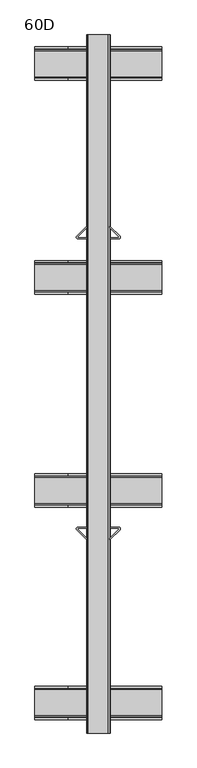
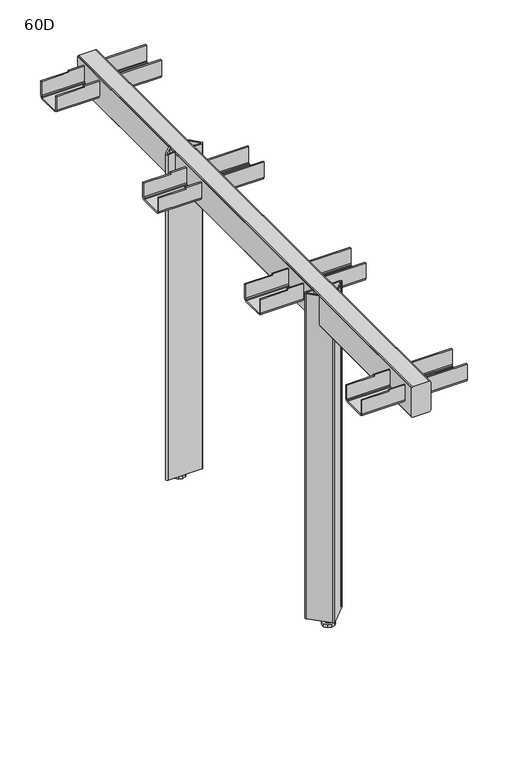
"""IFC4 building model written with IfcOpenShell, lengths in millimetres: furniture geometry, 60D."""

from ifc_helpers import new_model, si_unit, frame, origin, origin_with_axes, place, context, project, spatial, polyline, circle_curve, outline, extrude, faceted_brep, source, transform, mapped, element, save
from ifc_brep_helpers import plane_surface, cylinder_surface, revolved_surface, advanced_brep


def furniture_60d_e062f69c(model_context):
    return source(origin(), model_context, "Body", "SolidModel", [
        advanced_brep(
        [(68.9281289, -934.7763274, 696.230904), (85.4456, -951.2937985, 696.230904), (85.4456, -948.4653713, 696.230904), (70.8473677, -933.8671391, 696.230904), (71.5544745, -932.1600323, 696.230904), (85.2456009, -932.1600323, 696.230904), (85.2456009, -930.1671391, 696.230904), (70.8373172, -930.1671391, 696.230904), (138.1538828, -930.1671391, 696.230904), (123.7455991, -930.1671391, 696.230904), (123.7455991, -932.1600323, 696.230904), (137.4367255, -932.1600323, 696.230904), (138.1438323, -933.8671391, 696.230904), (123.5456, -948.4653713, 696.230904), (123.5456, -951.2937985, 696.230904), (140.0630711, -934.7763274, 696.230904), (68.9281289, -934.7763274, 13.2308796), (70.8373172, -930.1671391, 13.2308796), (138.1538828, -930.1671391, 13.2308796), (140.0630711, -934.7763274, 13.2308796), (106.4047883, -968.4346101, 13.2308796), (102.5864117, -968.4346101, 13.2308796), (70.8473677, -933.8671391, 13.2308796), (103.7884932, -966.8082645, 13.2308796), (105.2027068, -966.8082645, 13.2308796), (138.1438323, -933.8671391, 13.2308796), (137.4367255, -932.1600323, 13.2308796), (71.5544745, -932.1600323, 13.2308796), (85.2456009, -930.1671391, 632.7308556), (123.7455991, -930.1671391, 632.7308556), (123.5456, -951.2937985, 632.7308556), (106.4047883, -968.4346101, 632.7308556), (102.5864117, -968.4346101, 632.7308556), (85.4456, -951.2937985, 632.7308556), (85.4456, -948.4653713, 632.7308556), (103.7884932, -966.8082645, 632.7308556), (105.2027068, -966.8082645, 632.7308556), (123.5456, -948.4653713, 632.7308556), (123.7455991, -932.1600323, 632.7308556), (85.2456009, -932.1600323, 632.7308556)],
        [
            (0, 1),
            (1, 2),
            (2, 3),
            (3, 4, circle_curve(frame((71.5544745, -933.1600323, 696.230904), z_axis=(0.0, 0.0, -1.0), x_axis=(1.0, 0.0, 0.0)), 1.0)),
            (4, 5),
            (5, 6),
            (6, 7),
            (7, 0, circle_curve(frame((70.8373172, -932.8671391, 696.230904), z_axis=(0.0, 0.0, 1.0), x_axis=(1.0, 0.0, 0.0)), 2.7)),
            (8, 9),
            (9, 10),
            (10, 11),
            (11, 12, circle_curve(frame((137.4367255, -933.1600323, 696.230904), z_axis=(0.0, 0.0, -1.0), x_axis=(1.0, 0.0, 0.0)), 1.0)),
            (12, 13),
            (13, 14),
            (14, 15),
            (15, 8, circle_curve(frame((138.1538828, -932.8671391, 696.230904), z_axis=(0.0, 0.0, 1.0), x_axis=(1.0, 0.0, 0.0)), 2.7)),
            (16, 17, circle_curve(frame((70.8373172, -932.8671391, 13.2308796), z_axis=(0.0, 0.0, -1.0), x_axis=(1.0, 0.0, 0.0)), 2.7)),
            (17, 18),
            (18, 19, circle_curve(frame((138.1538828, -932.8671391, 13.2308796), z_axis=(0.0, 0.0, -1.0), x_axis=(1.0, 0.0, 0.0)), 2.7)),
            (19, 20),
            (20, 21, circle_curve(frame((104.4956, -966.5254218, 13.2308796), z_axis=(0.0, 0.0, -1.0), x_axis=(1.0, 0.0, 0.0)), 2.7)),
            (21, 16),
            (22, 23),
            (23, 24, circle_curve(frame((104.4956, -966.1011578, 13.2308796), z_axis=(0.0, 0.0, 1.0), x_axis=(1.0, 0.0, 0.0)), 1.0)),
            (24, 25),
            (25, 26, circle_curve(frame((137.4367255, -933.1600323, 13.2308796), z_axis=(0.0, 0.0, 1.0), x_axis=(1.0, 0.0, 0.0)), 1.0)),
            (26, 27),
            (27, 22, circle_curve(frame((71.5544745, -933.1600323, 13.2308796), z_axis=(0.0, 0.0, 1.0), x_axis=(1.0, 0.0, 0.0)), 1.0)),
            (7, 17),
            (16, 0),
            (6, 28),
            (28, 29),
            (29, 9),
            (8, 18),
            (15, 19),
            (14, 30),
            (30, 31),
            (31, 20),
            (31, 32, circle_curve(frame((104.4956, -966.5254218, 632.7308556), z_axis=(0.0, 0.0, -1.0), x_axis=(1.0, 0.0, 0.0)), 2.7)),
            (32, 21),
            (32, 33),
            (33, 1),
            (22, 3),
            (2, 34),
            (34, 35),
            (35, 23),
            (35, 36, circle_curve(frame((104.4956, -966.1011578, 632.7308556), z_axis=(0.0, 0.0, 1.0), x_axis=(1.0, 0.0, 0.0)), 1.0)),
            (36, 24),
            (36, 37),
            (37, 13),
            (12, 25),
            (11, 26),
            (10, 38),
            (38, 39),
            (39, 5),
            (4, 27),
            (38, 29),
            (28, 39),
            (30, 37),
            (34, 33),
        ],
        [
            plane_surface(frame((73.5373172, -932.8671391, 696.230904), z_axis=(0.0, 0.0, 1.0), x_axis=(0.0, -1.0, 0.0))),
            plane_surface(frame((73.5373172, -932.8671391, 13.2308796), z_axis=(0.0, 0.0, -1.0), x_axis=(0.0, 1.0, 0.0))),
            cylinder_surface(frame((70.8373172, -932.8671391, 13.2308796), z_axis=(0.0, 0.0, 1.0), x_axis=(1.0, 0.0, 0.0)), 2.7),
            plane_surface(frame((70.8373172, -930.1671391, 696.230904), z_axis=(0.0, 1.0, 0.0), x_axis=(0.0, 0.0, -1.0))),
            cylinder_surface(frame((138.1538828, -932.8671391, 13.2308796), z_axis=(0.0, 0.0, 1.0), x_axis=(1.0, 0.0, 0.0)), 2.7),
            plane_surface(frame((140.0630711, -934.7763274, 696.230904), z_axis=(0.7071067811865573, -0.7071067811865377, 0.0), x_axis=(0.0, 0.0, -1.0))),
            cylinder_surface(frame((104.4956, -966.5254218, 13.2308796), z_axis=(0.0, 0.0, 1.0), x_axis=(1.0, 0.0, 0.0)), 2.7),
            plane_surface(frame((102.5864117, -968.4346101, 696.230904), z_axis=(-0.7071067811865985, -0.7071067811864966, 0.0), x_axis=(0.0, 0.0, -1.0))),
            plane_surface(frame((70.8473677, -933.8671391, 696.230904), z_axis=(0.7071067811865628, 0.7071067811865323, 0.0), x_axis=(0.0, 0.0, -1.0))),
            revolved_surface(polyline([(105.4956, -966.1011578, 13.2308796), (105.4956, -966.1011578, 632.7308556)]), (104.4956, -966.1011578, 0.0), (0.0, 0.0, -1.0)),
            plane_surface(frame((105.2027068, -966.8082645, 696.230904), z_axis=(-0.7071067811865942, 0.7071067811865008, 0.0), x_axis=(0.0, 0.0, -1.0))),
            revolved_surface(polyline([(138.4367255, -933.1600323, 13.2308796), (138.4367255, -933.1600323, 696.230904)]), (137.4367255, -933.1600323, 0.0), (0.0, 0.0, -1.0)),
            plane_surface(frame((137.4367255, -932.1600323, 696.230904), z_axis=(0.0, -1.0, 0.0), x_axis=(0.0, 0.0, -1.0))),
            revolved_surface(polyline([(72.5544745, -933.1600323, 13.2308796), (72.5544745, -933.1600323, 696.230904)]), (71.5544745, -933.1600323, 0.0), (0.0, 0.0, -1.0)),
            plane_surface(frame((85.2456009, -932.1600323, 632.7308556), z_axis=(0.0, 0.0, 1.0), x_axis=(1.0, 0.0, 0.0))),
            plane_surface(frame((85.2456009, -932.1600323, 696.230904), z_axis=(1.0, 0.0, 0.0), x_axis=(0.0, 0.0, -1.0))),
            plane_surface(frame((123.7455991, -930.1671391, 696.230904), z_axis=(-1.0, 0.0, 0.0), x_axis=(0.0, 0.0, -1.0))),
            plane_surface(frame((85.4456, -948.4653713, 632.7308556), z_axis=(0.0, 0.0, 1.0), x_axis=(0.0, -1.0, 0.0))),
            plane_surface(frame((85.4456, -951.2937985, 696.230904), z_axis=(1.0, 0.0, 0.0), x_axis=(0.0, 0.0, -1.0))),
            plane_surface(frame((123.5456, -948.4653713, 696.230904), z_axis=(-1.0, 0.0, 0.0), x_axis=(0.0, 0.0, -1.0))),
        ],
        [
            (0, [[1, 2, 3, 4, 5, 6, 7, 8]]),
            (0, [[9, 10, 11, 12, 13, 14, 15, 16]]),
            (1, [[17, 18, 19, 20, 21, 22], [23, 24, 25, 26, 27, 28]]),
            (2, [[29, -17, 30, -8]]),
            (3, [[-29, -7, 31, 32, 33, -9, 34, -18]]),
            (4, [[35, -19, -34, -16]]),
            (5, [[-35, -15, 36, 37, 38, -20]]),
            (6, [[-38, 39, 40, -21]]),
            (7, [[-40, 41, 42, -1, -30, -22]]),
            (8, [[43, -3, 44, 45, 46, -23]]),
            (9, [[-46, 47, 48, -24]]),
            (10, [[-48, 49, 50, -13, 51, -25]]),
            (11, [[52, -26, -51, -12]]),
            (12, [[-52, -11, 53, 54, 55, -5, 56, -27]]),
            (13, [[-43, -28, -56, -4]]),
            (14, [[-54, 57, -32, 58]]),
            (15, [[-31, -6, -55, -58]]),
            (16, [[-53, -10, -33, -57]]),
            (17, [[-41, -39, -37, 59, -49, -47, -45, 60]]),
            (18, [[-44, -2, -42, -60]]),
            (19, [[-36, -14, -50, -59]]),
        ],
    ),
        extrude(outline(polyline([(104.4956, -953.8064506), (101.0585616, -951.8220786), (101.0585616, -947.8533256), (104.4956, -945.8689536), (107.9326384, -947.8533256), (107.9326384, -951.8220786), (104.4956, -953.8064506)])), frame((0.0, 0.0, 10.9000001), z_axis=(0.0, 0.0, 1.0), x_axis=(1.0, 0.0, 0.0)), (0.0, 0.0, 1.0), 62.0000015),
        extrude(outline(polyline([(104.4956, -957.7777016), (97.6193584, -953.8076996), (97.6193584, -945.8677), (104.4956, -941.8977025), (111.3718416, -945.8677), (111.3718416, -953.8076996), (104.4956, -957.7777016)])), frame((0.0, 0.0, 5.7200003), z_axis=(0.0, 0.0, 1.0), x_axis=(1.0, 0.0, 0.0)), (0.0, 0.0, 1.0), 5.1799998),
        extrude(outline(polyline([(97.2559472, -959.8022283), (92.7815962, -953.6438106), (92.7815962, -946.031589), (97.2559472, -939.8731759), (104.4956, -937.5208712), (111.7352528, -939.8731759), (116.2096038, -946.031589), (116.2096038, -953.6438106), (111.7352528, -959.8022283), (104.4956, -962.1545352), (97.2559472, -959.8022283)])), origin_with_axes(), (0.0, 0.0, 1.0), 5.7200003),
        advanced_brep(
        [(68.9281289, -451.1559334, 696.230904), (70.8373172, -455.7651217, 696.230904), (85.2456009, -455.7651217, 696.230904), (85.2456009, -453.7722284, 696.230904), (71.5544745, -453.7722284, 696.230904), (70.8473677, -452.0651217, 696.230904), (85.4456, -437.4668894, 696.230904), (85.4456, -434.6384623, 696.230904), (138.1538828, -455.7651217, 696.230904), (140.0630711, -451.1559334, 696.230904), (123.5456, -434.6384623, 696.230904), (123.5456, -437.4668894, 696.230904), (138.1438323, -452.0651217, 696.230904), (137.4367255, -453.7722284, 696.230904), (123.7455991, -453.7722284, 696.230904), (123.7455991, -455.7651217, 696.230904), (68.9281289, -451.1559334, 13.2308796), (102.5864117, -417.4976506, 13.2308796), (106.4047883, -417.4976506, 13.2308796), (140.0630711, -451.1559334, 13.2308796), (138.1538828, -455.7651217, 13.2308796), (70.8373172, -455.7651217, 13.2308796), (70.8473677, -452.0651217, 13.2308796), (71.5544745, -453.7722284, 13.2308796), (137.4367255, -453.7722284, 13.2308796), (138.1438323, -452.0651217, 13.2308796), (105.2027068, -419.1239962, 13.2308796), (103.7884932, -419.1239962, 13.2308796), (123.7455991, -455.7651217, 632.7308556), (85.2456009, -455.7651217, 632.7308556), (106.4047883, -417.4976506, 632.7308556), (123.5456, -434.6384623, 632.7308556), (102.5864117, -417.4976506, 632.7308556), (85.4456, -434.6384623, 632.7308556), (103.7884932, -419.1239962, 632.7308556), (85.4456, -437.4668894, 632.7308556), (105.2027068, -419.1239962, 632.7308556), (123.5456, -437.4668894, 632.7308556), (85.2456009, -453.7722284, 632.7308556), (123.7455991, -453.7722284, 632.7308556)],
        [
            (0, 1, circle_curve(frame((70.8373172, -453.0651217, 696.230904), z_axis=(0.0, 0.0, 1.0), x_axis=(1.0, 0.0, 0.0)), 2.7)),
            (1, 2),
            (2, 3),
            (3, 4),
            (4, 5, circle_curve(frame((71.5544745, -452.7722284, 696.230904), z_axis=(0.0, 0.0, -1.0), x_axis=(1.0, 0.0, 0.0)), 1.0)),
            (5, 6),
            (6, 7),
            (7, 0),
            (8, 9, circle_curve(frame((138.1538828, -453.0651217, 696.230904), z_axis=(0.0, 0.0, 1.0), x_axis=(1.0, 0.0, 0.0)), 2.7)),
            (9, 10),
            (10, 11),
            (11, 12),
            (12, 13, circle_curve(frame((137.4367255, -452.7722284, 696.230904), z_axis=(0.0, 0.0, -1.0), x_axis=(1.0, 0.0, 0.0)), 1.0)),
            (13, 14),
            (14, 15),
            (15, 8),
            (16, 17),
            (17, 18, circle_curve(frame((104.4956, -419.4068389, 13.2308796), z_axis=(0.0, 0.0, -1.0), x_axis=(1.0, 0.0, 0.0)), 2.7)),
            (18, 19),
            (19, 20, circle_curve(frame((138.1538828, -453.0651217, 13.2308796), z_axis=(0.0, 0.0, -1.0), x_axis=(1.0, 0.0, 0.0)), 2.7)),
            (20, 21),
            (21, 16, circle_curve(frame((70.8373172, -453.0651217, 13.2308796), z_axis=(0.0, 0.0, -1.0), x_axis=(1.0, 0.0, 0.0)), 2.7)),
            (22, 23, circle_curve(frame((71.5544745, -452.7722284, 13.2308796), z_axis=(0.0, 0.0, 1.0), x_axis=(1.0, 0.0, 0.0)), 1.0)),
            (23, 24),
            (24, 25, circle_curve(frame((137.4367255, -452.7722284, 13.2308796), z_axis=(0.0, 0.0, 1.0), x_axis=(1.0, 0.0, 0.0)), 1.0)),
            (25, 26),
            (26, 27, circle_curve(frame((104.4956, -419.8311029, 13.2308796), z_axis=(0.0, 0.0, 1.0), x_axis=(1.0, 0.0, 0.0)), 1.0)),
            (27, 22),
            (0, 16),
            (21, 1),
            (20, 8),
            (15, 28),
            (28, 29),
            (29, 2),
            (19, 9),
            (18, 30),
            (30, 31),
            (31, 10),
            (17, 32),
            (32, 30, circle_curve(frame((104.4956, -419.4068389, 632.7308556), z_axis=(0.0, 0.0, -1.0), x_axis=(1.0, 0.0, 0.0)), 2.7)),
            (7, 33),
            (33, 32),
            (27, 34),
            (34, 35),
            (35, 6),
            (5, 22),
            (26, 36),
            (36, 34, circle_curve(frame((104.4956, -419.8311029, 632.7308556), z_axis=(0.0, 0.0, 1.0), x_axis=(1.0, 0.0, 0.0)), 1.0)),
            (25, 12),
            (11, 37),
            (37, 36),
            (24, 13),
            (23, 4),
            (3, 38),
            (38, 39),
            (39, 14),
            (38, 29),
            (28, 39),
            (33, 35),
            (37, 31),
        ],
        [
            plane_surface(frame((73.5373172, -453.0651217, 696.230904), z_axis=(0.0, 0.0, 1.0), x_axis=(0.0, 1.0, 0.0))),
            plane_surface(frame((73.5373172, -453.0651217, 13.2308796), z_axis=(0.0, 0.0, -1.0), x_axis=(0.0, -1.0, 0.0))),
            cylinder_surface(frame((70.8373172, -453.0651217, 13.2308796), z_axis=(0.0, 0.0, 1.0), x_axis=(1.0, 0.0, 0.0)), 2.7),
            plane_surface(frame((70.8373172, -455.7651217, 696.230904), z_axis=(0.0, -1.0, 0.0), x_axis=(0.0, 0.0, -1.0))),
            cylinder_surface(frame((138.1538828, -453.0651217, 13.2308796), z_axis=(0.0, 0.0, 1.0), x_axis=(1.0, 0.0, 0.0)), 2.7),
            plane_surface(frame((140.0630711, -451.1559334, 696.230904), z_axis=(0.707106781186562, 0.707106781186533, 0.0), x_axis=(0.0, 0.0, -1.0))),
            cylinder_surface(frame((104.4956, -419.4068389, 13.2308796), z_axis=(0.0, 0.0, 1.0), x_axis=(1.0, 0.0, 0.0)), 2.7),
            plane_surface(frame((102.5864117, -417.4976506, 696.230904), z_axis=(-0.7071067811865939, 0.7071067811865013, 0.0), x_axis=(0.0, 0.0, -1.0))),
            plane_surface(frame((70.8473677, -452.0651217, 696.230904), z_axis=(0.7071067811865581, -0.7071067811865369, 0.0), x_axis=(0.0, 0.0, -1.0))),
            revolved_surface(polyline([(105.4956, -419.8311029, 13.2308796), (105.4956, -419.8311029, 632.7308556)]), (104.4956, -419.8311029, 0.0), (0.0, 0.0, -1.0)),
            plane_surface(frame((105.2027068, -419.1239962, 696.230904), z_axis=(-0.7071067811865989, -0.7071067811864962, 0.0), x_axis=(0.0, 0.0, -1.0))),
            revolved_surface(polyline([(138.4367255, -452.7722284, 13.2308796), (138.4367255, -452.7722284, 696.230904)]), (137.4367255, -452.7722284, 0.0), (0.0, 0.0, -1.0)),
            plane_surface(frame((137.4367255, -453.7722284, 696.230904), z_axis=(0.0, 1.0, 0.0), x_axis=(0.0, 0.0, -1.0))),
            revolved_surface(polyline([(72.5544745, -452.7722284, 13.2308796), (72.5544745, -452.7722284, 696.230904)]), (71.5544745, -452.7722284, 0.0), (0.0, 0.0, -1.0)),
            plane_surface(frame((85.2456009, -453.7722284, 632.7308556), z_axis=(0.0, 0.0, 1.0), x_axis=(1.0, 0.0, 0.0))),
            plane_surface(frame((85.2456009, -453.7722284, 696.230904), z_axis=(1.0, 0.0, 0.0), x_axis=(0.0, 0.0, -1.0))),
            plane_surface(frame((123.7455991, -455.7651217, 696.230904), z_axis=(-1.0, 0.0, 0.0), x_axis=(0.0, 0.0, -1.0))),
            plane_surface(frame((85.4456, -437.4668894, 632.7308556), z_axis=(0.0, 0.0, 1.0), x_axis=(0.0, 1.0, 0.0))),
            plane_surface(frame((85.4456, -434.6384623, 696.230904), z_axis=(1.0, 0.0, 0.0), x_axis=(0.0, 0.0, -1.0))),
            plane_surface(frame((123.5456, -437.4668894, 696.230904), z_axis=(-1.0, 0.0, 0.0), x_axis=(0.0, 0.0, -1.0))),
        ],
        [
            (0, [[1, 2, 3, 4, 5, 6, 7, 8]]),
            (0, [[9, 10, 11, 12, 13, 14, 15, 16]]),
            (1, [[17, 18, 19, 20, 21, 22], [23, 24, 25, 26, 27, 28]]),
            (2, [[-1, 29, -22, 30]]),
            (3, [[-21, 31, -16, 32, 33, 34, -2, -30]]),
            (4, [[-9, -31, -20, 35]]),
            (5, [[-19, 36, 37, 38, -10, -35]]),
            (6, [[-18, 39, 40, -36]]),
            (7, [[-17, -29, -8, 41, 42, -39]]),
            (8, [[-28, 43, 44, 45, -6, 46]]),
            (9, [[-27, 47, 48, -43]]),
            (10, [[-26, 49, -12, 50, 51, -47]]),
            (11, [[-13, -49, -25, 52]]),
            (12, [[-24, 53, -4, 54, 55, 56, -14, -52]]),
            (13, [[-5, -53, -23, -46]]),
            (14, [[57, -33, 58, -55]]),
            (15, [[-57, -54, -3, -34]]),
            (16, [[-58, -32, -15, -56]]),
            (17, [[59, -44, -48, -51, 60, -37, -40, -42]]),
            (18, [[-59, -41, -7, -45]]),
            (19, [[-60, -50, -11, -38]]),
        ],
    ),
        extrude(outline(polyline([(104.4956, -432.1258102), (107.9326384, -434.1101821), (107.9326384, -438.0789352), (104.4956, -440.0633071), (101.0585616, -438.0789352), (101.0585616, -434.1101821), (104.4956, -432.1258102)])), frame((0.0, 0.0, 10.9000001), z_axis=(0.0, 0.0, 1.0), x_axis=(1.0, 0.0, 0.0)), (0.0, 0.0, 1.0), 62.0000015),
        extrude(outline(polyline([(104.4956, -428.1545591), (111.3718416, -432.1245611), (111.3718416, -440.0645607), (104.4956, -444.0345582), (97.6193584, -440.0645607), (97.6193584, -432.1245611), (104.4956, -428.1545591)])), frame((0.0, 0.0, 5.7200003), z_axis=(0.0, 0.0, 1.0), x_axis=(1.0, 0.0, 0.0)), (0.0, 0.0, 1.0), 5.1799998),
        extrude(outline(polyline([(97.2559472, -426.1300324), (104.4956, -423.7777255), (111.7352528, -426.1300324), (116.2096038, -432.2884501), (116.2096038, -439.9006717), (111.7352528, -446.0590849), (104.4956, -448.4113895), (97.2559472, -446.0590849), (92.7815962, -439.9006717), (92.7815962, -432.2884501), (97.2559472, -426.1300324)])), origin_with_axes(), (0.0, 0.0, 1.0), 5.7200003),
        faceted_brep([(54.4955996, -1243.9824356, 685.2308487), (54.4955996, -1246.9824342, 685.2308487), (54.4955996, -1246.9824342, 688.2308836), (54.4955996, -1243.9824356, 688.2308836), (54.4955996, -1191.9914342, 685.2308487), (54.4955996, -1194.9824287, 685.2308487), (54.4955996, -1194.9824287, 688.2308836), (54.4955996, -1191.9914342, 688.2308836), (0.0, -1243.9824356, 685.2308487), (0.0, -1246.9824342, 685.2308487), (0.0, -1191.9914342, 685.2308487), (0.0, -1194.9824287, 685.2308487), (208.9912, -1197.9824273, 650.2308775), (208.9912, -1193.7397902, 651.9882557), (208.9912, -1191.9914342, 656.209137), (208.9912, -1191.9914342, 688.2308836), (208.9912, -1194.9824287, 688.2308836), (208.9912, -1194.9824287, 656.2308746), (208.9912, -1195.8611178, 654.1095652), (208.9912, -1197.9824273, 653.2309124), (208.9912, -1240.982437, 653.2309124), (208.9912, -1243.1037556, 654.1095652), (208.9912, -1243.9824356, 656.2308746), (208.9912, -1243.9824356, 688.2308836), (208.9912, -1246.9824342, 688.2308836), (208.9912, -1246.9824342, 656.2308746), (208.9912, -1245.2250742, 651.9882557), (208.9912, -1240.982437, 650.2308775), (0.0, -1197.9824273, 650.2308775), (0.0, -1240.982437, 650.2308775), (0.0, -1245.2250742, 651.9882557), (0.0, -1246.9824342, 656.2308746), (0.0, -1243.9824356, 656.2308746), (0.0, -1243.1037556, 654.1095652), (0.0, -1240.982437, 653.2309124), (0.0, -1197.9824273, 653.2309124), (0.0, -1195.8611178, 654.1095652), (0.0, -1194.9824287, 656.2308746), (0.0, -1191.9914342, 656.209137), (0.0, -1193.7397902, 651.9882557)], [[[0, 1, 2, 3]], [[4, 5, 6, 7]], [[1, 0, 8, 9]], [[5, 4, 10, 11]], [[12, 13, 14, 15, 16, 17, 18, 19, 20, 21, 22, 23, 24, 25, 26, 27]], [[28, 29, 30, 31, 9, 8, 32, 33, 34, 35, 36, 37, 11, 10, 38, 39]], [[12, 27, 29, 28]], [[27, 26, 30, 29]], [[26, 25, 31, 30]], [[25, 24, 2, 1, 9, 31]], [[24, 23, 3, 2]], [[23, 22, 32, 8, 0, 3]], [[22, 21, 33, 32]], [[21, 20, 34, 33]], [[20, 19, 35, 34]], [[19, 18, 36, 35]], [[18, 17, 37, 36]], [[17, 16, 6, 5, 11, 37]], [[16, 15, 7, 6]], [[15, 14, 38, 10, 4, 7]], [[14, 13, 39, 38]], [[13, 12, 28, 39]]]),
        faceted_brep([(54.4955996, -139.7435765, 685.2308487), (54.4955996, -142.7435751, 685.2308487), (54.4955996, -142.7435751, 688.2308836), (54.4955996, -139.7435765, 688.2308836), (54.4955996, -191.743582, 685.2308487), (54.4955996, -194.7345765, 685.2308487), (54.4955996, -194.7345765, 688.2308836), (54.4955996, -191.743582, 688.2308836), (0.0, -139.7435765, 685.2308487), (0.0, -142.7435751, 685.2308487), (0.0, -191.743582, 685.2308487), (0.0, -194.7345765, 685.2308487), (208.9912, -188.7435834, 650.2308775), (208.9912, -145.7435737, 650.2308775), (208.9912, -141.5009366, 651.9882557), (208.9912, -139.7435765, 656.2308746), (208.9912, -139.7435765, 688.2308836), (208.9912, -142.7435751, 688.2308836), (208.9912, -142.7435751, 656.2308746), (208.9912, -143.6222551, 654.1095652), (208.9912, -145.7435737, 653.2309124), (208.9912, -188.7435834, 653.2309124), (208.9912, -190.8648929, 654.1095652), (208.9912, -191.743582, 656.2308746), (208.9912, -191.743582, 688.2308836), (208.9912, -194.7345765, 688.2308836), (208.9912, -194.7345765, 656.209137), (208.9912, -192.9862205, 651.9882557), (0.0, -188.7435834, 650.2308775), (0.0, -192.9862205, 651.9882557), (0.0, -194.7345765, 656.209137), (0.0, -191.743582, 656.2308746), (0.0, -190.8648929, 654.1095652), (0.0, -188.7435834, 653.2309124), (0.0, -145.7435737, 653.2309124), (0.0, -143.6222551, 654.1095652), (0.0, -142.7435751, 656.2308746), (0.0, -139.7435765, 656.2308746), (0.0, -141.5009366, 651.9882557), (0.0, -145.7435737, 650.2308775)], [[[0, 1, 2, 3]], [[4, 5, 6, 7]], [[1, 0, 8, 9]], [[5, 4, 10, 11]], [[12, 13, 14, 15, 16, 17, 18, 19, 20, 21, 22, 23, 24, 25, 26, 27]], [[28, 29, 30, 11, 10, 31, 32, 33, 34, 35, 36, 9, 8, 37, 38, 39]], [[13, 12, 28, 39]], [[14, 13, 39, 38]], [[15, 14, 38, 37]], [[16, 15, 37, 8, 0, 3]], [[17, 16, 3, 2]], [[18, 17, 2, 1, 9, 36]], [[19, 18, 36, 35]], [[20, 19, 35, 34]], [[21, 20, 34, 33]], [[22, 21, 33, 32]], [[23, 22, 32, 31]], [[24, 23, 31, 10, 4, 7]], [[25, 24, 7, 6]], [[26, 25, 6, 5, 11, 30]], [[27, 26, 30, 29]], [[12, 27, 29, 28]]]),
        faceted_brep([(208.9912, -848.5525254, 650.2308775), (208.9912, -844.3098882, 651.9882557), (208.9912, -842.5615323, 656.209137), (208.9912, -842.5615323, 688.2308836), (208.9912, -845.5525268, 688.2308836), (208.9912, -845.5525268, 656.2308746), (208.9912, -846.4312159, 654.1095652), (208.9912, -848.5525254, 653.2309124), (208.9912, -891.5525351, 653.2309124), (208.9912, -893.6738537, 654.1095652), (208.9912, -894.5525337, 656.2308746), (208.9912, -894.5525337, 688.2308836), (208.9912, -897.5525323, 688.2308836), (208.9912, -897.5525323, 656.2308746), (208.9912, -895.7951722, 651.9882557), (208.9912, -891.5525351, 650.2308775), (0.0, -848.5525254, 650.2308775), (0.0, -891.5525351, 650.2308775), (0.0, -895.7951722, 651.9882557), (0.0, -897.5525323, 656.2308746), (0.0, -897.5525323, 685.2308487), (0.0, -894.5525337, 685.2308487), (0.0, -894.5525337, 656.2308746), (0.0, -893.6738537, 654.1095652), (0.0, -891.5525351, 653.2309124), (0.0, -848.5525254, 653.2309124), (0.0, -846.4312159, 654.1095652), (0.0, -845.5525268, 656.2308746), (0.0, -845.5525268, 685.2308487), (0.0, -842.5615323, 685.2308487), (0.0, -842.5615323, 656.209137), (0.0, -844.3098882, 651.9882557), (54.4955996, -897.5525323, 688.2308836), (54.4955996, -897.5525323, 685.2308487), (54.4955996, -894.5525337, 688.2308836), (54.4955996, -894.5525337, 685.2308487), (54.4955996, -845.5525268, 688.2308836), (54.4955996, -845.5525268, 685.2308487), (54.4955996, -842.5615323, 688.2308836), (54.4955996, -842.5615323, 685.2308487)], [[[0, 1, 2, 3, 4, 5, 6, 7, 8, 9, 10, 11, 12, 13, 14, 15]], [[16, 17, 18, 19, 20, 21, 22, 23, 24, 25, 26, 27, 28, 29, 30, 31]], [[0, 15, 17, 16]], [[15, 14, 18, 17]], [[14, 13, 19, 18]], [[13, 12, 32, 33, 20, 19]], [[12, 11, 34, 32]], [[11, 10, 22, 21, 35, 34]], [[10, 9, 23, 22]], [[9, 8, 24, 23]], [[8, 7, 25, 24]], [[7, 6, 26, 25]], [[6, 5, 27, 26]], [[5, 4, 36, 37, 28, 27]], [[4, 3, 38, 36]], [[3, 2, 30, 29, 39, 38]], [[2, 1, 31, 30]], [[1, 0, 16, 31]], [[35, 33, 32, 34]], [[39, 37, 36, 38]], [[33, 35, 21, 20]], [[37, 39, 29, 28]]]),
        faceted_brep([(208.9912, -540.5547354, 650.2308775), (208.9912, -497.5547256, 650.2308775), (208.9912, -493.3120885, 651.9882557), (208.9912, -491.5547284, 656.2308746), (208.9912, -491.5547284, 688.2308836), (208.9912, -494.554727, 688.2308836), (208.9912, -494.554727, 656.2308746), (208.9912, -495.433407, 654.1095652), (208.9912, -497.5547256, 653.2309124), (208.9912, -540.5547354, 653.2309124), (208.9912, -542.6760448, 654.1095652), (208.9912, -543.5547339, 656.2308746), (208.9912, -543.5547339, 688.2308836), (208.9912, -546.5457284, 688.2308836), (208.9912, -546.5457284, 656.209137), (208.9912, -544.7973725, 651.9882557), (0.0, -540.5547354, 650.2308775), (0.0, -544.7973725, 651.9882557), (0.0, -546.5457284, 656.209137), (0.0, -546.5457284, 685.2308487), (0.0, -543.5547339, 685.2308487), (0.0, -543.5547339, 656.2308746), (0.0, -542.6760448, 654.1095652), (0.0, -540.5547354, 653.2309124), (0.0, -497.5547256, 653.2309124), (0.0, -495.433407, 654.1095652), (0.0, -494.554727, 656.2308746), (0.0, -494.554727, 685.2308487), (0.0, -491.5547284, 685.2308487), (0.0, -491.5547284, 656.2308746), (0.0, -493.3120885, 651.9882557), (0.0, -497.5547256, 650.2308775), (54.4955996, -491.5547284, 685.2308487), (54.4955996, -491.5547284, 688.2308836), (54.4955996, -494.554727, 688.2308836), (54.4955996, -494.554727, 685.2308487), (54.4955996, -543.5547339, 685.2308487), (54.4955996, -543.5547339, 688.2308836), (54.4955996, -546.5457284, 688.2308836), (54.4955996, -546.5457284, 685.2308487)], [[[0, 1, 2, 3, 4, 5, 6, 7, 8, 9, 10, 11, 12, 13, 14, 15]], [[16, 17, 18, 19, 20, 21, 22, 23, 24, 25, 26, 27, 28, 29, 30, 31]], [[1, 0, 16, 31]], [[2, 1, 31, 30]], [[3, 2, 30, 29]], [[4, 3, 29, 28, 32, 33]], [[5, 4, 33, 34]], [[6, 5, 34, 35, 27, 26]], [[7, 6, 26, 25]], [[8, 7, 25, 24]], [[9, 8, 24, 23]], [[10, 9, 23, 22]], [[11, 10, 22, 21]], [[12, 11, 21, 20, 36, 37]], [[13, 12, 37, 38]], [[14, 13, 38, 39, 19, 18]], [[15, 14, 18, 17]], [[0, 15, 17, 16]], [[32, 35, 34, 33]], [[36, 39, 38, 37]], [[35, 32, 28, 27]], [[39, 36, 20, 19]]]),
        extrude(outline(polyline([(693.7309113, 85.5026323), (635.2308483, 85.5026323), (633.4630783, 86.2348653), (632.7308556, 88.0026319), (632.7308556, 121.1026327), (633.4630783, 122.8703993), (635.2308483, 123.6026323), (693.7309113, 123.6026323), (695.4986813, 122.8703993), (696.230904, 121.1026327), (696.230904, 88.0026319), (695.4986813, 86.2348653), (693.7309113, 85.5026323)])), frame((0.0, -1269.0536834, 0.0), z_axis=(0.0, 1.0, 0.0), x_axis=(0.0, 0.0, 1.0)), (0.0, 0.0, 1.0), 1149.0001061),
    ])


if __name__ == "__main__":
    model = new_model("IFC4")
    model_context = context("Model", 3, world=origin())
    ifc_project = project(units=[si_unit("LENGTHUNIT", "METRE", prefix="MILLI")], contexts=[model_context])
    site = spatial("IfcSite", under=ifc_project)
    building = spatial("IfcBuilding", under=site)
    placement = place(None, origin())
    furniture_60d_shape = furniture_60d_e062f69c(model_context)
    element("IfcFurniture", 1, ObjectType="60D", at=placement, inside=building, context=model_context, shape_type="MappedRepresentation", body=[
        mapped(furniture_60d_shape, transform((0.0, 0.0, 0.0), x_axis=(1.0, 0.0, 0.0), y_axis=(0.0, 1.0, 0.0), z_axis=(0.0, 0.0, 1.0))),
    ])
    save(model, "model.ifc")
